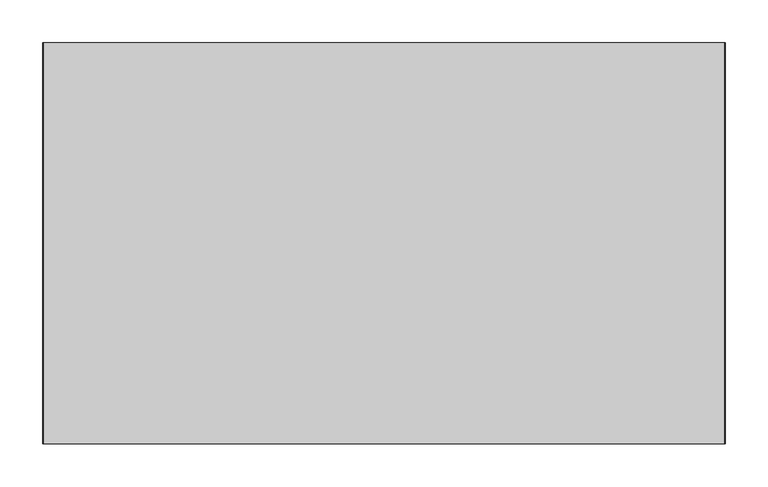
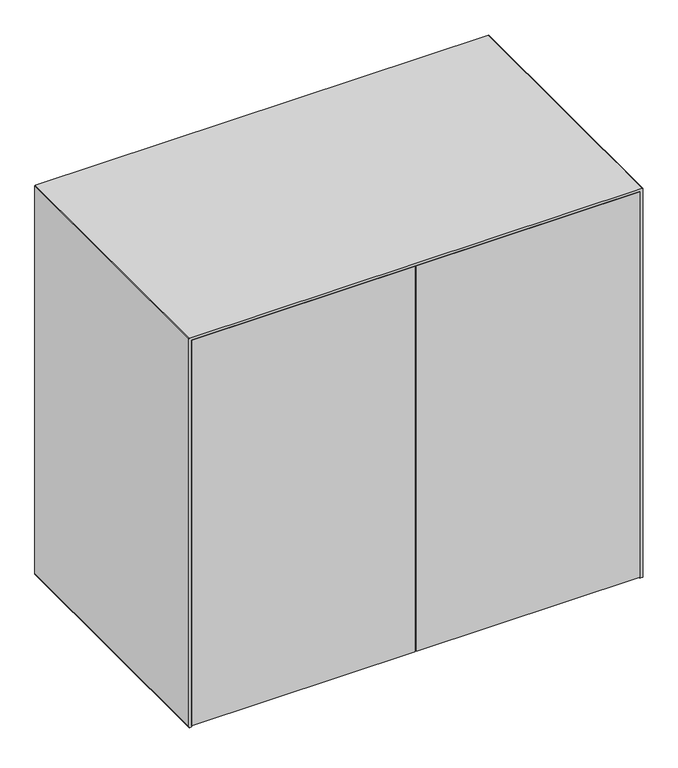
"""IFC4 building model written with IfcOpenShell, lengths in millimetres: furniture geometry."""

from ifc_helpers import new_model, si_unit, point, frame, frame_2d, origin, place, context, project, spatial, polyline, circle_curve, trimmed, segment, composite_curve, outline, extrude, source, transform, mapped, element, save
from ifc_brep_helpers import plane_surface, cylinder_surface, revolved_surface, advanced_brep


def furniture_a7c63ac3(model_context):
    return source(origin(), model_context, "Body", "SolidModel", [
        extrude(outline(polyline([(395.0, 212.0908769), (395.0, -193.1994487), (-395.0, -193.1994487), (-395.0, 212.0908769), (395.0, 212.0908769)])), frame((0.0, 0.0, 284.0), z_axis=(0.0, 0.0, 1.0), x_axis=(1.0, 0.0, 0.0)), (0.0, 0.0, 1.0), 20.0),
        extrude(outline(polyline([(-1.5, -235.0), (-395.0, -235.0), (-395.0, -210.0), (-1.5, -210.0), (-1.5, -235.0)])), frame((0.0, 0.0, 11.7991309), z_axis=(0.0, 0.0, 1.0), x_axis=(1.0, 0.0, 0.0)), (0.0, 0.0, 1.0), 718.2008691),
        extrude(outline(polyline([(0.9878934, -235.0), (0.9878934, -210.0), (395.0, -210.0), (395.0, -235.0), (0.9878934, -235.0)])), frame((0.0, 0.0, 11.7991309), z_axis=(0.0, 0.0, 1.0), x_axis=(1.0, 0.0, 0.0)), (0.0, 0.0, 1.0), 718.2008691),
        extrude(outline(composite_curve([segment(polyline([(730.0, 394.0), (730.0, -394.0)]), True, "CONTINUOUS"), segment(trimmed(circle_curve(frame_2d((729.0, -394.0)), 1.0), [point((730.0, -394.0))], [point((729.0, -395.0))], False, "CARTESIAN"), True, "CONTINUOUS"), segment(polyline([(729.0, -395.0), (10.0, -395.0), (10.0, 395.0), (729.0, 395.0)]), True, "CONTINUOUS"), segment(trimmed(circle_curve(frame_2d((729.0, 394.0)), 1.0), [point((729.0, 395.0))], [point((730.0, 394.0))], False, "CARTESIAN"), True, "CONTINUOUS")], self_intersect=False)), frame((0.0, 212.0908769, 0.0), z_axis=(0.0, 1.0, 0.0), x_axis=(0.0, 0.0, 1.0)), (0.0, 0.0, 1.0), 22.9091231),
        advanced_brep(
        [(308.3, 195.1194008, 0.0), (308.3, 214.0805992, 0.0), (308.3, 204.6, 0.0), (308.3, 204.6, 10.0), (308.3, 211.0818404, 10.0), (308.3, 198.1181596, 10.0), (308.3, 211.0818404, 2.0), (308.3, 198.1181596, 2.0), (308.3, 214.0805992, 2.0), (308.3, 195.1194008, 2.0)],
        [
            (0, 1, circle_curve(frame((308.3, 204.6, 0.0), z_axis=(0.0, 0.0, -1.0), x_axis=(0.0, 1.0, 0.0)), 9.4805992)),
            (1, 2),
            (2, 0),
            (1, 0, circle_curve(frame((308.3, 204.6, 0.0), z_axis=(0.0, 0.0, -1.0), x_axis=(0.0, 1.0, 0.0)), 9.4805992)),
            (3, 4),
            (4, 5, circle_curve(frame((308.3, 204.6, 10.0), z_axis=(0.0, 0.0, 1.0), x_axis=(0.0, 1.0, 0.0)), 6.4818404)),
            (5, 3),
            (5, 4, circle_curve(frame((308.3, 204.6, 10.0), z_axis=(0.0, 0.0, 1.0), x_axis=(0.0, 1.0, 0.0)), 6.4818404)),
            (4, 6),
            (6, 7, circle_curve(frame((308.3, 204.6, 2.0), z_axis=(0.0, 0.0, 1.0), x_axis=(0.0, 1.0, 0.0)), 6.4818404)),
            (7, 5),
            (7, 6, circle_curve(frame((308.3, 204.6, 2.0), z_axis=(0.0, 0.0, 1.0), x_axis=(0.0, 1.0, 0.0)), 6.4818404)),
            (6, 8),
            (8, 9, circle_curve(frame((308.3, 204.6, 2.0), z_axis=(0.0, 0.0, 1.0), x_axis=(0.0, 1.0, 0.0)), 9.4805992)),
            (9, 7),
            (9, 8, circle_curve(frame((308.3, 204.6, 2.0), z_axis=(0.0, 0.0, 1.0), x_axis=(0.0, 1.0, 0.0)), 9.4805992)),
            (8, 1),
            (0, 9),
        ],
        [
            plane_surface(frame((308.3, 204.6, 0.0), z_axis=(0.0, 0.0, -1.0), x_axis=(0.0, 1.0, 0.0))),
            plane_surface(frame((308.3, 204.6, 10.0), z_axis=(0.0, 0.0, 1.0), x_axis=(0.0, 1.0, 0.0))),
            cylinder_surface(frame((308.3, 204.6, -3.670201), z_axis=(0.0, 0.0, 1.0), x_axis=(0.0, 1.0, 0.0)), 6.4818404),
            plane_surface(frame((308.3, 204.6, 2.0), z_axis=(0.0, 0.0, 1.0), x_axis=(0.0, 1.0, 0.0))),
            cylinder_surface(frame((308.3, 204.6, -3.670201), z_axis=(0.0, 0.0, 1.0), x_axis=(0.0, 1.0, 0.0)), 9.4805992),
        ],
        [
            (0, [[1, 2, 3]]),
            (0, [[4, -3, -2]]),
            (1, [[5, 6, 7]]),
            (1, [[-7, 8, -5]]),
            (2, [[-6, 9, 10, 11]]),
            (2, [[-8, -11, 12, -9]]),
            (3, [[-10, 13, 14, 15]]),
            (3, [[-12, -15, 16, -13]]),
            (4, [[-14, 17, -1, 18]]),
            (4, [[-16, -18, -4, -17]]),
        ],
    ),
        advanced_brep(
        [(308.3, -204.6, 0.0), (308.3, -214.0805992, 0.0), (308.3, -195.1194008, 0.0), (308.3, -198.1181596, 10.0), (308.3, -211.0818404, 10.0), (308.3, -204.6, 10.0), (308.3, -198.1181596, 2.0), (308.3, -211.0818404, 2.0), (308.3, -195.1194008, 2.0), (308.3, -214.0805992, 2.0)],
        [
            (0, 1),
            (1, 2, circle_curve(frame((308.3, -204.6, 0.0), z_axis=(0.0, 0.0, -1.0), x_axis=(0.0, -1.0, 0.0)), 9.4805992)),
            (2, 0),
            (2, 1, circle_curve(frame((308.3, -204.6, 0.0), z_axis=(0.0, 0.0, -1.0), x_axis=(0.0, -1.0, 0.0)), 9.4805992)),
            (3, 4, circle_curve(frame((308.3, -204.6, 10.0), z_axis=(0.0, 0.0, 1.0), x_axis=(0.0, -1.0, 0.0)), 6.4818404)),
            (4, 5),
            (5, 3),
            (4, 3, circle_curve(frame((308.3, -204.6, 10.0), z_axis=(0.0, 0.0, 1.0), x_axis=(0.0, -1.0, 0.0)), 6.4818404)),
            (6, 7, circle_curve(frame((308.3, -204.6, 2.0), z_axis=(0.0, 0.0, 1.0), x_axis=(0.0, -1.0, 0.0)), 6.4818404)),
            (7, 4),
            (3, 6),
            (7, 6, circle_curve(frame((308.3, -204.6, 2.0), z_axis=(0.0, 0.0, 1.0), x_axis=(0.0, -1.0, 0.0)), 6.4818404)),
            (8, 9, circle_curve(frame((308.3, -204.6, 2.0), z_axis=(0.0, 0.0, 1.0), x_axis=(0.0, -1.0, 0.0)), 9.4805992)),
            (9, 7),
            (6, 8),
            (9, 8, circle_curve(frame((308.3, -204.6, 2.0), z_axis=(0.0, 0.0, 1.0), x_axis=(0.0, -1.0, 0.0)), 9.4805992)),
            (1, 9),
            (8, 2),
        ],
        [
            plane_surface(frame((308.3, -204.6, 0.0), z_axis=(0.0, 0.0, -1.0), x_axis=(0.0, -1.0, 0.0))),
            plane_surface(frame((308.3, -204.6, 10.0), z_axis=(0.0, 0.0, 1.0), x_axis=(0.0, -1.0, 0.0))),
            cylinder_surface(frame((308.3, -204.6, -3.670201), z_axis=(0.0, 0.0, -1.0), x_axis=(0.0, -1.0, 0.0)), 6.4818404),
            plane_surface(frame((308.3, -204.6, 2.0), z_axis=(0.0, 0.0, 1.0), x_axis=(0.0, -1.0, 0.0))),
            cylinder_surface(frame((308.3, -204.6, -3.670201), z_axis=(0.0, 0.0, -1.0), x_axis=(0.0, -1.0, 0.0)), 9.4805992),
        ],
        [
            (0, [[1, 2, 3]]),
            (0, [[-3, 4, -1]]),
            (1, [[5, 6, 7]]),
            (1, [[8, -7, -6]]),
            (2, [[9, 10, -5, 11]]),
            (2, [[12, -11, -8, -10]]),
            (3, [[13, 14, -9, 15]]),
            (3, [[16, -15, -12, -14]]),
            (4, [[-2, 17, -13, 18]]),
            (4, [[-4, -18, -16, -17]]),
        ],
    ),
        advanced_brep(
        [(-308.3, 204.6, 0.0), (-308.3, 214.0805992, 0.0), (-308.3, 195.1194008, 0.0), (-308.3, 198.1181596, 10.0), (-308.3, 211.0818404, 10.0), (-308.3, 204.6, 10.0), (-308.3, 198.1181596, 2.0), (-308.3, 211.0818404, 2.0), (-308.3, 195.1194008, 2.0), (-308.3, 214.0805992, 2.0)],
        [
            (0, 1),
            (1, 2, circle_curve(frame((-308.3, 204.6, 0.0), z_axis=(0.0, 0.0, -1.0), x_axis=(0.0, 1.0, 0.0)), 9.4805992)),
            (2, 0),
            (2, 1, circle_curve(frame((-308.3, 204.6, 0.0), z_axis=(0.0, 0.0, -1.0), x_axis=(0.0, 1.0, 0.0)), 9.4805992)),
            (3, 4, circle_curve(frame((-308.3, 204.6, 10.0), z_axis=(0.0, 0.0, 1.0), x_axis=(0.0, 1.0, 0.0)), 6.4818404)),
            (4, 5),
            (5, 3),
            (4, 3, circle_curve(frame((-308.3, 204.6, 10.0), z_axis=(0.0, 0.0, 1.0), x_axis=(0.0, 1.0, 0.0)), 6.4818404)),
            (6, 7, circle_curve(frame((-308.3, 204.6, 2.0), z_axis=(0.0, 0.0, 1.0), x_axis=(0.0, 1.0, 0.0)), 6.4818404)),
            (7, 4),
            (3, 6),
            (7, 6, circle_curve(frame((-308.3, 204.6, 2.0), z_axis=(0.0, 0.0, 1.0), x_axis=(0.0, 1.0, 0.0)), 6.4818404)),
            (8, 9, circle_curve(frame((-308.3, 204.6, 2.0), z_axis=(0.0, 0.0, 1.0), x_axis=(0.0, 1.0, 0.0)), 9.4805992)),
            (9, 7),
            (6, 8),
            (9, 8, circle_curve(frame((-308.3, 204.6, 2.0), z_axis=(0.0, 0.0, 1.0), x_axis=(0.0, 1.0, 0.0)), 9.4805992)),
            (1, 9),
            (8, 2),
        ],
        [
            plane_surface(frame((-308.3, 204.6, 0.0), z_axis=(0.0, 0.0, -1.0), x_axis=(0.0, 1.0, 0.0))),
            plane_surface(frame((-308.3, 204.6, 10.0), z_axis=(0.0, 0.0, 1.0), x_axis=(0.0, 1.0, 0.0))),
            cylinder_surface(frame((-308.3, 204.6, -3.670201), z_axis=(0.0, 0.0, -1.0), x_axis=(0.0, 1.0, 0.0)), 6.4818404),
            plane_surface(frame((-308.3, 204.6, 2.0), z_axis=(0.0, 0.0, 1.0), x_axis=(0.0, 1.0, 0.0))),
            cylinder_surface(frame((-308.3, 204.6, -3.670201), z_axis=(0.0, 0.0, -1.0), x_axis=(0.0, 1.0, 0.0)), 9.4805992),
        ],
        [
            (0, [[1, 2, 3]]),
            (0, [[-3, 4, -1]]),
            (1, [[5, 6, 7]]),
            (1, [[8, -7, -6]]),
            (2, [[9, 10, -5, 11]]),
            (2, [[12, -11, -8, -10]]),
            (3, [[13, 14, -9, 15]]),
            (3, [[16, -15, -12, -14]]),
            (4, [[-2, 17, -13, 18]]),
            (4, [[-4, -18, -16, -17]]),
        ],
    ),
        advanced_brep(
        [(-308.3, -195.1194008, 0.0), (-308.3, -214.0805992, 0.0), (-308.3, -204.6, 0.0), (-308.3, -204.6, 10.0), (-308.3, -211.0818404, 10.0), (-308.3, -198.1181596, 10.0), (-308.3, -211.0818404, 2.0), (-308.3, -198.1181596, 2.0), (-308.3, -214.0805992, 2.0), (-308.3, -195.1194008, 2.0)],
        [
            (0, 1, circle_curve(frame((-308.3, -204.6, 0.0), z_axis=(0.0, 0.0, -1.0), x_axis=(0.0, -1.0, 0.0)), 9.4805992)),
            (1, 2),
            (2, 0),
            (1, 0, circle_curve(frame((-308.3, -204.6, 0.0), z_axis=(0.0, 0.0, -1.0), x_axis=(0.0, -1.0, 0.0)), 9.4805992)),
            (3, 4),
            (4, 5, circle_curve(frame((-308.3, -204.6, 10.0), z_axis=(0.0, 0.0, 1.0), x_axis=(0.0, -1.0, 0.0)), 6.4818404)),
            (5, 3),
            (5, 4, circle_curve(frame((-308.3, -204.6, 10.0), z_axis=(0.0, 0.0, 1.0), x_axis=(0.0, -1.0, 0.0)), 6.4818404)),
            (4, 6),
            (6, 7, circle_curve(frame((-308.3, -204.6, 2.0), z_axis=(0.0, 0.0, 1.0), x_axis=(0.0, -1.0, 0.0)), 6.4818404)),
            (7, 5),
            (7, 6, circle_curve(frame((-308.3, -204.6, 2.0), z_axis=(0.0, 0.0, 1.0), x_axis=(0.0, -1.0, 0.0)), 6.4818404)),
            (6, 8),
            (8, 9, circle_curve(frame((-308.3, -204.6, 2.0), z_axis=(0.0, 0.0, 1.0), x_axis=(0.0, -1.0, 0.0)), 9.4805992)),
            (9, 7),
            (9, 8, circle_curve(frame((-308.3, -204.6, 2.0), z_axis=(0.0, 0.0, 1.0), x_axis=(0.0, -1.0, 0.0)), 9.4805992)),
            (8, 1),
            (0, 9),
        ],
        [
            plane_surface(frame((-308.3, -204.6, 0.0), z_axis=(0.0, 0.0, -1.0), x_axis=(0.0, -1.0, 0.0))),
            plane_surface(frame((-308.3, -204.6, 10.0), z_axis=(0.0, 0.0, 1.0), x_axis=(0.0, -1.0, 0.0))),
            cylinder_surface(frame((-308.3, -204.6, -3.670201), z_axis=(0.0, 0.0, 1.0), x_axis=(0.0, -1.0, 0.0)), 6.4818404),
            plane_surface(frame((-308.3, -204.6, 2.0), z_axis=(0.0, 0.0, 1.0), x_axis=(0.0, -1.0, 0.0))),
            cylinder_surface(frame((-308.3, -204.6, -3.670201), z_axis=(0.0, 0.0, 1.0), x_axis=(0.0, -1.0, 0.0)), 9.4805992),
        ],
        [
            (0, [[1, 2, 3]]),
            (0, [[4, -3, -2]]),
            (1, [[5, 6, 7]]),
            (1, [[-7, 8, -5]]),
            (2, [[-6, 9, 10, 11]]),
            (2, [[-8, -11, 12, -9]]),
            (3, [[-10, 13, 14, 15]]),
            (3, [[-12, -15, 16, -13]]),
            (4, [[-14, 17, -1, 18]]),
            (4, [[-16, -18, -4, -17]]),
        ],
    ),
        advanced_brep(
        [(399.0, -235.0, 735.0), (-399.0, -235.0, 735.0), (-400.0, -235.0, 734.0), (-400.0, -235.0, 11.0), (-399.0, -235.0, 10.0), (-395.0, -235.0, 10.0), (-395.0, -235.0, 729.0), (-394.0, -235.0, 730.0), (394.0, -235.0, 730.0), (395.0, -235.0, 729.0), (395.0, -235.0, 10.0), (399.0, -235.0, 10.0), (400.0, -235.0, 11.0), (400.0, -235.0, 734.0), (399.0, 235.0, 735.0), (400.0, 235.0, 734.0), (400.0, 235.0, 11.0), (399.0, 235.0, 10.0), (-399.0, 235.0, 10.0), (-400.0, 235.0, 11.0), (-400.0, 235.0, 734.0), (-399.0, 235.0, 735.0), (394.0, 235.0, 730.0), (-394.0, 235.0, 730.0), (-395.0, 235.0, 729.0), (-395.0, 235.0, 59.9690802), (395.0, 235.0, 59.9690802), (395.0, 235.0, 729.0), (395.0, -210.0, 10.0), (-395.0, -210.0, 10.0), (395.0, -210.0, 59.9690802), (-395.0, -210.0, 59.9690802)],
        [
            (0, 1),
            (1, 2, circle_curve(frame((-399.0, -235.0, 734.0), z_axis=(0.0, -1.0, 0.0), x_axis=(1.0, 0.0, 0.0)), 1.0)),
            (2, 3),
            (3, 4, circle_curve(frame((-399.0, -235.0, 11.0), z_axis=(0.0, -1.0, 0.0), x_axis=(1.0, 0.0, 0.0)), 1.0)),
            (4, 5),
            (5, 6),
            (6, 7, circle_curve(frame((-394.0, -235.0, 729.0), z_axis=(0.0, 1.0, 0.0), x_axis=(1.0, 0.0, 0.0)), 1.0)),
            (7, 8),
            (8, 9, circle_curve(frame((394.0, -235.0, 729.0), z_axis=(0.0, 1.0, 0.0), x_axis=(1.0, 0.0, 0.0)), 1.0)),
            (9, 10),
            (10, 11),
            (11, 12, circle_curve(frame((399.0, -235.0, 11.0), z_axis=(0.0, -1.0, 0.0), x_axis=(1.0, 0.0, 0.0)), 1.0)),
            (12, 13),
            (13, 0, circle_curve(frame((399.0, -235.0, 734.0), z_axis=(0.0, -1.0, 0.0), x_axis=(1.0, 0.0, 0.0)), 1.0)),
            (14, 15, circle_curve(frame((399.0, 235.0, 734.0), z_axis=(0.0, 1.0, 0.0), x_axis=(1.0, 0.0, 0.0)), 1.0)),
            (15, 16),
            (16, 17, circle_curve(frame((399.0, 235.0, 11.0), z_axis=(0.0, 1.0, 0.0), x_axis=(1.0, 0.0, 0.0)), 1.0)),
            (17, 18),
            (18, 19, circle_curve(frame((-399.0, 235.0, 11.0), z_axis=(0.0, 1.0, 0.0), x_axis=(1.0, 0.0, 0.0)), 1.0)),
            (19, 20),
            (20, 21, circle_curve(frame((-399.0, 235.0, 734.0), z_axis=(0.0, 1.0, 0.0), x_axis=(1.0, 0.0, 0.0)), 1.0)),
            (21, 14),
            (22, 23),
            (23, 24, circle_curve(frame((-394.0, 235.0, 729.0), z_axis=(0.0, -1.0, 0.0), x_axis=(1.0, 0.0, 0.0)), 1.0)),
            (24, 25),
            (25, 26),
            (26, 27),
            (27, 22, circle_curve(frame((394.0, 235.0, 729.0), z_axis=(0.0, -1.0, 0.0), x_axis=(1.0, 0.0, 0.0)), 1.0)),
            (0, 14),
            (21, 1),
            (20, 2),
            (19, 3),
            (18, 4),
            (17, 11),
            (10, 28),
            (28, 29),
            (29, 5),
            (16, 12),
            (15, 13),
            (8, 22),
            (27, 9),
            (26, 30),
            (30, 28),
            (25, 31),
            (31, 30),
            (29, 31),
            (24, 6),
            (23, 7),
        ],
        [
            plane_surface(frame((-399.0, -235.0, 735.0), z_axis=(0.0, -1.0, 0.0), x_axis=(-1.0, 0.0, 0.0))),
            plane_surface(frame((-399.0, 235.0, 735.0), z_axis=(0.0, 1.0, 0.0), x_axis=(1.0, 0.0, 0.0))),
            plane_surface(frame((399.0, -235.0, 735.0), z_axis=(0.0, 0.0, 1.0), x_axis=(0.0, 1.0, 0.0))),
            cylinder_surface(frame((-399.0, 235.0, 734.0), z_axis=(0.0, -1.0, 0.0), x_axis=(1.0, 0.0, 0.0)), 1.0),
            plane_surface(frame((-400.0, -235.0, 734.0), z_axis=(-1.0, 0.0, 0.0), x_axis=(0.0, 1.0, 0.0))),
            cylinder_surface(frame((-399.0, 235.0, 11.0), z_axis=(0.0, -1.0, 0.0), x_axis=(1.0, 0.0, 0.0)), 1.0),
            plane_surface(frame((-399.0, -235.0, 10.0), z_axis=(0.0, 0.0, -1.0), x_axis=(0.0, 1.0, 0.0))),
            cylinder_surface(frame((399.0, 235.0, 11.0), z_axis=(0.0, -1.0, 0.0), x_axis=(1.0, 0.0, 0.0)), 1.0),
            plane_surface(frame((400.0, -235.0, 11.0), z_axis=(1.0, 0.0, 0.0), x_axis=(0.0, 1.0, 0.0))),
            cylinder_surface(frame((399.0, 235.0, 734.0), z_axis=(0.0, -1.0, 0.0), x_axis=(1.0, 0.0, 0.0)), 1.0),
            revolved_surface(polyline([(395.0, 235.0, 729.0), (395.0, -235.0, 729.0)]), (394.0, 0.0, 729.0), (0.0, 1.0, 0.0)),
            plane_surface(frame((395.0, -235.0, 729.0), z_axis=(-1.0, 0.0, 0.0), x_axis=(0.0, 1.0, 0.0))),
            plane_surface(frame((395.0, -235.0, 59.9690802), z_axis=(0.0, 0.0, 1.0), x_axis=(0.0, 1.0, 0.0))),
            plane_surface(frame((-395.0, -235.0, 59.9690802), z_axis=(1.0, 0.0, 0.0), x_axis=(0.0, 1.0, 0.0))),
            revolved_surface(polyline([(-393.0, 235.0, 729.0), (-393.0, -235.0, 729.0)]), (-394.0, 0.0, 729.0), (0.0, 1.0, 0.0)),
            plane_surface(frame((-394.0, -235.0, 730.0), z_axis=(0.0, 0.0, -1.0), x_axis=(0.0, 1.0, 0.0))),
            plane_surface(frame((395.0, -210.0, 59.9690802), z_axis=(0.0, -1.0, 0.0), x_axis=(0.0, 0.0, -1.0))),
        ],
        [
            (0, [[1, 2, 3, 4, 5, 6, 7, 8, 9, 10, 11, 12, 13, 14]]),
            (1, [[15, 16, 17, 18, 19, 20, 21, 22], [23, 24, 25, 26, 27, 28]]),
            (2, [[-1, 29, -22, 30]]),
            (3, [[-2, -30, -21, 31]]),
            (4, [[-3, -31, -20, 32]]),
            (5, [[-4, -32, -19, 33]]),
            (6, [[-18, 34, -11, 35, 36, 37, -5, -33]]),
            (7, [[-12, -34, -17, 38]]),
            (8, [[-13, -38, -16, 39]]),
            (9, [[-14, -39, -15, -29]]),
            (10, [[-9, 40, -28, 41]]),
            (11, [[-41, -27, 42, 43, -35, -10]]),
            (12, [[-26, 44, 45, -42]]),
            (13, [[-37, 46, -44, -25, 47, -6]]),
            (14, [[-7, -47, -24, 48]]),
            (15, [[-8, -48, -23, -40]]),
            (16, [[-43, -45, -46, -36]]),
        ],
    ),
    ])


if __name__ == "__main__":
    model = new_model("IFC4")
    model_context = context("Model", 3, world=origin())
    ifc_project = project(units=[si_unit("LENGTHUNIT", "METRE", prefix="MILLI")], contexts=[model_context])
    site = spatial("IfcSite", under=ifc_project)
    building = spatial("IfcBuilding", under=site)
    placement = place(None, origin())
    furniture_shape = furniture_a7c63ac3(model_context)
    element("IfcFurniture", 1, at=placement, inside=building, context=model_context, shape_type="MappedRepresentation", body=[
        mapped(furniture_shape, transform((0.0, 0.0, 0.0), x_axis=(1.0, 0.0, 0.0), y_axis=(0.0, 1.0, 0.0), z_axis=(0.0, 0.0, 1.0))),
    ])
    save(model, "model.ifc")
